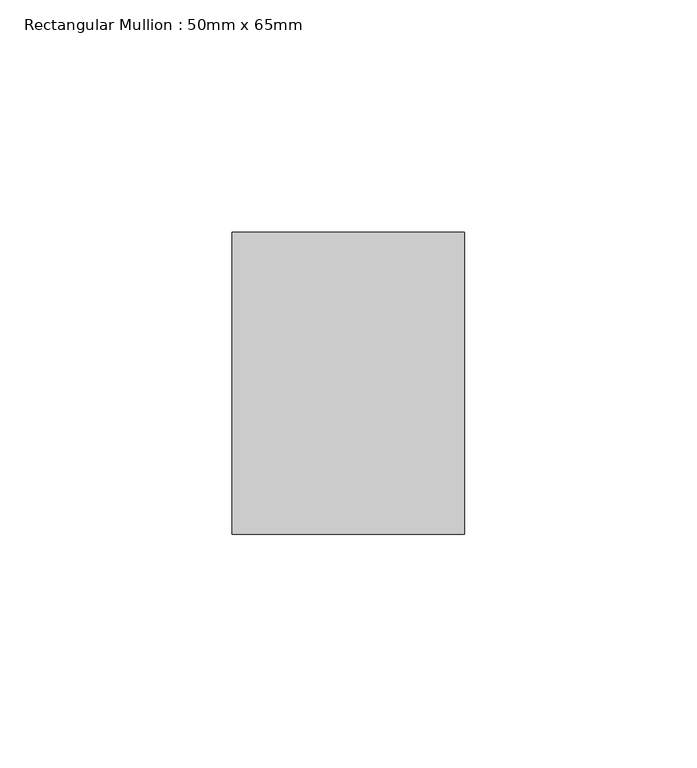
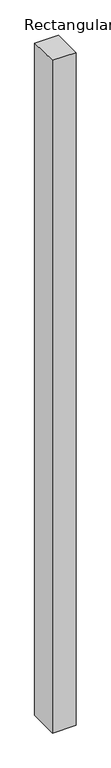
"""IFC4 building model written with IfcOpenShell, lengths in millimetres: member geometry, Rectangular Mullion : 50mm x 65mm."""

from ifc_helpers import new_model, si_unit, origin, place, context, project, spatial, faceted_brep, source, transform, mapped, element, save


def rectangular_mullion_50mm_x_65mm_0979f799(model_context):
    return source(origin(), model_context, "Body", "Brep", [
        faceted_brep([(-25.0, 32.5, -0.3536694), (25.0, 32.5, -0.3536703), (25.0, 32.5, -1499.5484128), (-25.0, 32.5, -1499.548414), (-25.0, -32.5, 0.3536703), (-25.0, -32.5, -1500.4520424), (25.0, -32.5, 0.3536694), (25.0, -32.5, -1500.4520412)], [[[0, 1, 2, 3]], [[4, 0, 3, 5]], [[6, 4, 5, 7]], [[1, 6, 7, 2]], [[1, 0, 4, 6]], [[2, 7, 5, 3]]]),
    ])


if __name__ == "__main__":
    model = new_model("IFC4")
    model_context = context("Model", 3, world=origin())
    ifc_project = project(units=[si_unit("LENGTHUNIT", "METRE", prefix="MILLI")], contexts=[model_context])
    site = spatial("IfcSite", under=ifc_project)
    building = spatial("IfcBuilding", under=site)
    placement = place(None, origin())
    rectangular_mullion_50mm_x_65mm_shape = rectangular_mullion_50mm_x_65mm_0979f799(model_context)
    element("IfcMember", 1, ObjectType="Rectangular Mullion : 50mm x 65mm", at=placement, inside=building, context=model_context, shape_type="MappedRepresentation", body=[
        mapped(rectangular_mullion_50mm_x_65mm_shape, transform((0.0, 0.0, 0.0), x_axis=(1.0, 0.0, 0.0), y_axis=(0.0, 1.0, 0.0), z_axis=(0.0, 0.0, 1.0))),
    ])
    save(model, "model.ifc")
